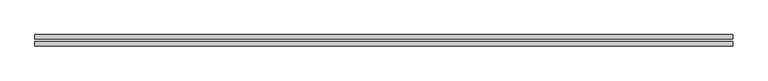
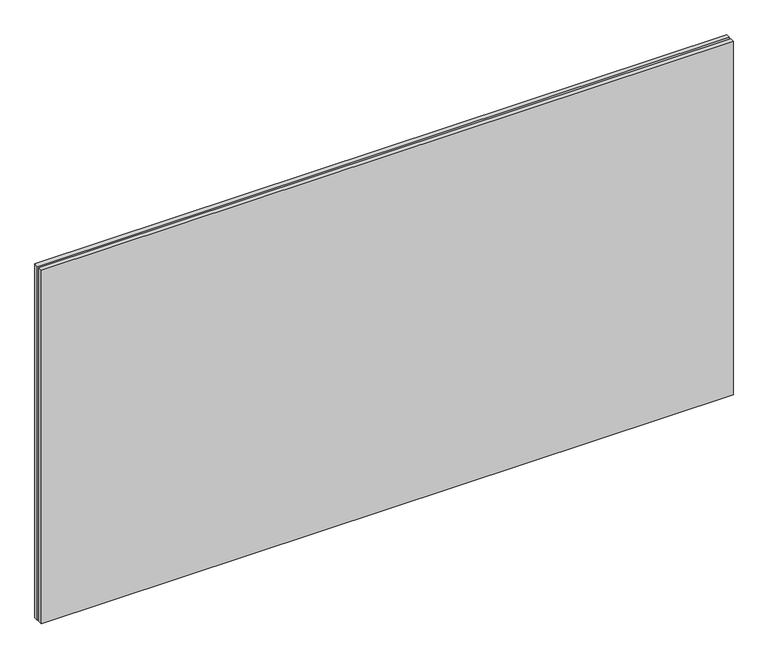
"""IFC4 building model written with IfcOpenShell, lengths in millimetres: plate geometry."""

from ifc_helpers import new_model, si_unit, origin, origin_with_axes, place, context, project, spatial, polyline, outline, extrude, source, transform, mapped, element, save


def plate_8a3dcd1c(model_context):
    return source(origin(), model_context, "Body", "SweptSolid", [
        extrude(outline(polyline([(620.0, -10.0), (-620.0, -10.0), (-620.0, -2.0), (620.0, -2.0), (620.0, -10.0)])), origin_with_axes(), (0.0, 0.0, 1.0), 670.0),
        extrude(outline(polyline([(620.0, 2.0), (-620.0, 2.0), (-620.0, 10.0), (620.0, 10.0), (620.0, 2.0)])), origin_with_axes(), (0.0, 0.0, 1.0), 670.0),
    ])


if __name__ == "__main__":
    model = new_model("IFC4")
    model_context = context("Model", 3, world=origin())
    ifc_project = project(units=[si_unit("LENGTHUNIT", "METRE", prefix="MILLI")], contexts=[model_context])
    site = spatial("IfcSite", under=ifc_project)
    building = spatial("IfcBuilding", under=site)
    placement = place(None, origin())
    plate_shape = plate_8a3dcd1c(model_context)
    element("IfcPlate", 1, at=placement, inside=building, context=model_context, shape_type="MappedRepresentation", body=[
        mapped(plate_shape, transform((0.0, 0.0, 0.0), x_axis=(1.0, 0.0, 0.0), y_axis=(0.0, 1.0, 0.0), z_axis=(0.0, 0.0, 1.0))),
    ])
    save(model, "model.ifc")
